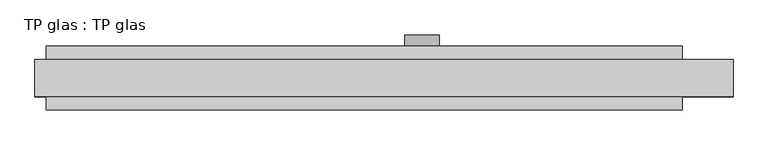
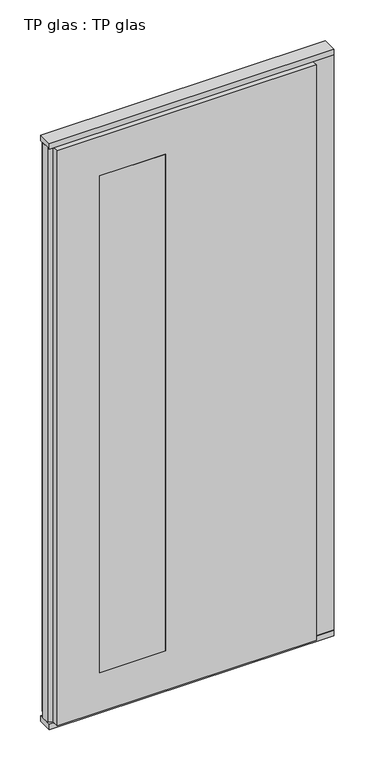
"""IFC4 building model written with IfcOpenShell, lengths in millimetres: plate geometry, TP glas : TP glas."""

from ifc_helpers import new_model, si_unit, point, frame, frame_2d, origin, origin_with_axes, place, context, project, spatial, polyline, circle_curve, trimmed, segment, composite_curve, outline, extrude, faceted_brep, source, transform, mapped, element, save


def tp_glas_tp_glas_93f8b97c(model_context):
    return source(origin(), model_context, "Body", "SolidModel", [
        faceted_brep([(-583.75, 22.9993165, 25.0), (-583.75, 22.9993165, 2602.0), (-583.75, 55.0, 2602.0), (-583.75, 55.0, 25.0), (-603.75, 17.6401049, 25.0), (-603.75, 17.6401049, 2602.0), (-603.75, -17.6401049, 25.0), (-603.75, -17.6401049, 2602.0), (-583.75, -22.9993165, 25.0), (-583.75, -22.9993165, 2602.0), (-583.75, -55.0, 25.0), (-583.75, -55.0, 2602.0), (515.8007813, -55.0, 25.0), (515.8007813, 55.0, 25.0), (515.8007813, 30.5, 25.0), (603.75, 30.5, 25.0), (603.75, -30.5, 25.0), (515.8007813, -30.5, 25.0), (515.8007813, -30.5, 2602.0), (515.8007813, -55.0, 2602.0), (603.75, -30.5, 2602.0), (603.75, 30.5, 2602.0), (515.8007813, 30.5, 2602.0), (515.8007813, 55.0, 2602.0), (-403.75, 55.0, 2427.0), (-403.75, 55.0, 200.0), (-124.1992187, 55.0, 200.0), (-124.1992187, 55.0, 2427.0), (-124.1992187, -55.0, 2427.0), (-124.1992187, -55.0, 200.0), (-403.75, -55.0, 200.0), (-403.75, -55.0, 2427.0)], [[[0, 1, 2, 3]], [[4, 5, 1, 0]], [[6, 7, 5, 4]], [[8, 9, 7, 6]], [[10, 11, 9, 8]], [[12, 10, 8, 6, 4, 0, 3, 13, 14, 15, 16, 17]], [[17, 18, 19, 12]], [[16, 20, 18, 17]], [[15, 21, 20, 16]], [[14, 22, 21, 15]], [[13, 23, 22, 14]], [[3, 2, 23, 13], [24, 25, 26, 27]], [[11, 10, 12, 19], [28, 29, 30, 31]], [[23, 2, 1, 5, 7, 9, 11, 19, 18, 20, 21, 22]], [[28, 31, 24, 27]], [[31, 30, 25, 24]], [[30, 29, 26, 25]], [[27, 26, 29, 28]]]),
        extrude(outline(polyline([(-603.75, 32.0), (603.75, 32.0), (603.75, -32.0), (-603.75, -32.0), (-603.75, 32.0)])), origin_with_axes(), (0.0, 0.0, 1.0), 25.0),
        extrude(outline(polyline([(-603.75, 32.0), (603.75, 32.0), (603.75, -32.0), (-603.75, -32.0), (-603.75, 32.0)])), frame((0.0, 0.0, 2602.0), z_axis=(0.0, 0.0, 1.0), x_axis=(1.0, 0.0, 0.0)), (0.0, 0.0, 1.0), 25.0),
        extrude(outline(composite_curve([segment(trimmed(circle_curve(frame_2d((1040.0, 65.8007813)), 30.0), [point((1040.0, 95.8007813))], [point((1040.0, 35.8007813))], False, "CARTESIAN"), True, "CONTINUOUS"), segment(trimmed(circle_curve(frame_2d((1040.0, 65.8007813)), 30.0), [point((1040.0, 35.8007813))], [point((1040.0, 95.8007813))], False, "CARTESIAN"), True, "CONTINUOUS")], self_intersect=False)), frame((0.0, 55.0, 0.0), z_axis=(0.0, 1.0, 0.0), x_axis=(0.0, 0.0, 1.0)), (0.0, 0.0, 1.0), 20.0),
        extrude(outline(polyline([(-124.1992187, 55.0), (-124.1992187, -55.0), (-403.75, -55.0), (-403.75, 55.0), (-124.1992187, 55.0)])), frame((0.0, 0.0, 200.0), z_axis=(0.0, 0.0, 1.0), x_axis=(1.0, 0.0, 0.0)), (0.0, 0.0, 1.0), 2227.0),
    ])


if __name__ == "__main__":
    model = new_model("IFC4")
    model_context = context("Model", 3, world=origin())
    ifc_project = project(units=[si_unit("LENGTHUNIT", "METRE", prefix="MILLI")], contexts=[model_context])
    site = spatial("IfcSite", under=ifc_project)
    building = spatial("IfcBuilding", under=site)
    placement = place(None, origin())
    tp_glas_tp_glas_shape = tp_glas_tp_glas_93f8b97c(model_context)
    element("IfcPlate", 1, ObjectType="TP glas : TP glas", at=placement, inside=building, context=model_context, shape_type="MappedRepresentation", body=[
        mapped(tp_glas_tp_glas_shape, transform((0.0, 0.0, 0.0), x_axis=(1.0, 0.0, 0.0), y_axis=(0.0, 1.0, 0.0), z_axis=(0.0, 0.0, 1.0))),
    ])
    save(model, "model.ifc")
